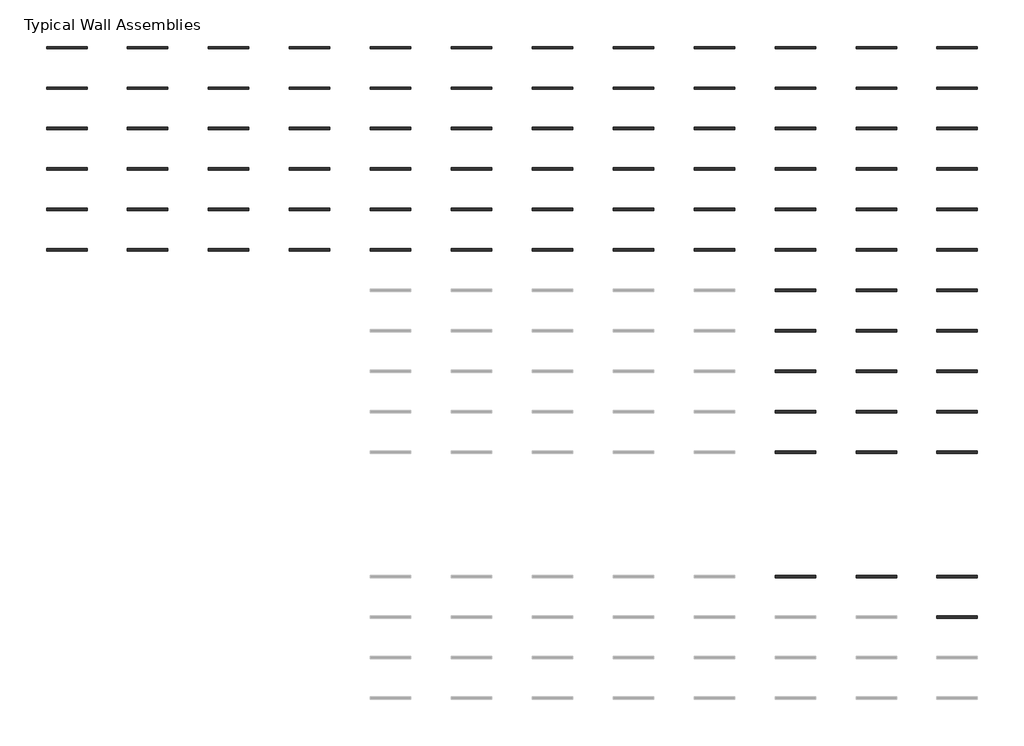
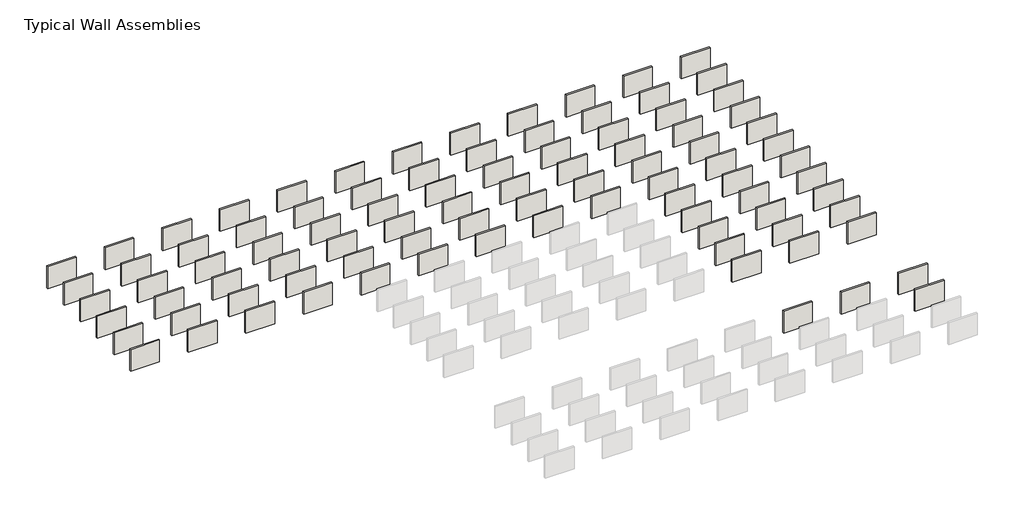
# One storey, part 8 of 8: 91 walls.
"""IFC4 building model written with IfcOpenShell, lengths in millimetres."""

from ifc_helpers import new_model, si_unit, frame, origin, place, context, project, spatial, polyline, outline, extrude, element, save

model = new_model("IFC4")

# Units and contexts
model_context = context("Model", 3, world=origin())
ifc_project = project(units=[si_unit("LENGTHUNIT", "METRE", prefix="MILLI")], contexts=[model_context])

# Site, building, storey
site = spatial("IfcSite", under=ifc_project)
building = spatial("IfcBuilding", under=site)
storey = spatial("IfcBuildingStorey", under=building, Name="Typical Wall Assemblies", Elevation=6096.0)

# Walls
placement = place(None, origin())
element("IfcWall", 1, at=placement, inside=storey, context=model_context, shape_type="SweptSolid", body=[
    extrude(outline(polyline([(-21027.125069, 17123.6908454), (-24075.125069, 17123.6908454), (-24075.125069, 17301.4781495), (-21027.125069, 17301.4781495), (-21027.125069, 17123.6908454)])), frame((0.0, 0.0, 6096.0), z_axis=(0.0, 0.0, 1.0), x_axis=(1.0, 0.0, 0.0)), (0.0, 0.0, 1.0), 2438.4),
])
element("IfcWall", 2, at=placement, inside=storey, context=model_context, shape_type="SweptSolid", body=[
    extrude(outline(polyline([(-14931.125069, 17123.6908454), (-17979.125069, 17123.6908454), (-17979.125069, 17301.4781495), (-14931.125069, 17301.4781495), (-14931.125069, 17123.6908454)])), frame((0.0, 0.0, 6096.0), z_axis=(0.0, 0.0, 1.0), x_axis=(1.0, 0.0, 0.0)), (0.0, 0.0, 1.0), 2438.4),
])
element("IfcWall", 3, at=placement, inside=storey, context=model_context, shape_type="SweptSolid", body=[
    extrude(outline(polyline([(-8835.125069, 17123.6908454), (-11883.125069, 17123.6908454), (-11883.125069, 17301.4781495), (-8835.125069, 17301.4781495), (-8835.125069, 17123.6908454)])), frame((0.0, 0.0, 6096.0), z_axis=(0.0, 0.0, 1.0), x_axis=(1.0, 0.0, 0.0)), (0.0, 0.0, 1.0), 2438.4),
])
element("IfcWall", 4, at=placement, inside=storey, context=model_context, shape_type="SweptSolid", body=[
    extrude(outline(polyline([(-2739.125069, 17123.6908454), (-5787.125069, 17123.6908454), (-5787.125069, 17301.4781495), (-2739.125069, 17301.4781495), (-2739.125069, 17123.6908454)])), frame((0.0, 0.0, 6096.0), z_axis=(0.0, 0.0, 1.0), x_axis=(1.0, 0.0, 0.0)), (0.0, 0.0, 1.0), 2438.4),
])
element("IfcWall", 5, at=placement, inside=storey, context=model_context, shape_type="SweptSolid", body=[
    extrude(outline(polyline([(3356.874931, 17123.6908454), (308.874931, 17123.6908454), (308.874931, 17301.4781495), (3356.874931, 17301.4781495), (3356.874931, 17123.6908454)])), frame((0.0, 0.0, 6096.0), z_axis=(0.0, 0.0, 1.0), x_axis=(1.0, 0.0, 0.0)), (0.0, 0.0, 1.0), 2438.4),
])
element("IfcWall", 6, at=placement, inside=storey, context=model_context, shape_type="SweptSolid", body=[
    extrude(outline(polyline([(9452.874931, 17123.6908454), (6404.874931, 17123.6908454), (6404.874931, 17301.4781495), (9452.874931, 17301.4781495), (9452.874931, 17123.6908454)])), frame((0.0, 0.0, 6096.0), z_axis=(0.0, 0.0, 1.0), x_axis=(1.0, 0.0, 0.0)), (0.0, 0.0, 1.0), 2438.4),
])
element("IfcWall", 7, at=placement, inside=storey, context=model_context, shape_type="SweptSolid", body=[
    extrude(outline(polyline([(15548.874931, 17123.6908454), (12500.874931, 17123.6908454), (12500.874931, 17301.4781495), (15548.874931, 17301.4781495), (15548.874931, 17123.6908454)])), frame((0.0, 0.0, 6096.0), z_axis=(0.0, 0.0, 1.0), x_axis=(1.0, 0.0, 0.0)), (0.0, 0.0, 1.0), 2438.4),
])
element("IfcWall", 8, at=placement, inside=storey, context=model_context, shape_type="SweptSolid", body=[
    extrude(outline(polyline([(21644.874931, 17123.6908454), (18596.874931, 17123.6908454), (18596.874931, 17301.4781495), (21644.874931, 17301.4781495), (21644.874931, 17123.6908454)])), frame((0.0, 0.0, 6096.0), z_axis=(0.0, 0.0, 1.0), x_axis=(1.0, 0.0, 0.0)), (0.0, 0.0, 1.0), 2438.4),
])
element("IfcWall", 9, at=placement, inside=storey, context=model_context, shape_type="SweptSolid", body=[
    extrude(outline(polyline([(27740.874931, 17123.6908454), (24692.874931, 17123.6908454), (24692.874931, 17301.4781495), (27740.874931, 17301.4781495), (27740.874931, 17123.6908454)])), frame((0.0, 0.0, 6096.0), z_axis=(0.0, 0.0, 1.0), x_axis=(1.0, 0.0, 0.0)), (0.0, 0.0, 1.0), 2438.4),
])
element("IfcWall", 10, at=placement, inside=storey, context=model_context, shape_type="SweptSolid", body=[
    extrude(outline(polyline([(33836.874931, 17123.6908454), (30788.874931, 17123.6908454), (30788.874931, 17301.4781495), (33836.874931, 17301.4781495), (33836.874931, 17123.6908454)])), frame((0.0, 0.0, 6096.0), z_axis=(0.0, 0.0, 1.0), x_axis=(1.0, 0.0, 0.0)), (0.0, 0.0, 1.0), 2438.4),
])
element("IfcWall", 11, at=placement, inside=storey, context=model_context, shape_type="SweptSolid", body=[
    extrude(outline(polyline([(39932.874931, 17123.6908454), (36884.874931, 17123.6908454), (36884.874931, 17301.4781495), (39932.874931, 17301.4781495), (39932.874931, 17123.6908454)])), frame((0.0, 0.0, 6096.0), z_axis=(0.0, 0.0, 1.0), x_axis=(1.0, 0.0, 0.0)), (0.0, 0.0, 1.0), 2438.4),
])
element("IfcWall", 12, at=placement, inside=storey, context=model_context, shape_type="SweptSolid", body=[
    extrude(outline(polyline([(46028.874931, 17123.6908454), (42980.874931, 17123.6908454), (42980.874931, 17301.4781495), (46028.874931, 17301.4781495), (46028.874931, 17123.6908454)])), frame((0.0, 0.0, 6096.0), z_axis=(0.0, 0.0, 1.0), x_axis=(1.0, 0.0, 0.0)), (0.0, 0.0, 1.0), 2438.4),
])
element("IfcWall", 13, at=placement, inside=storey, context=model_context, shape_type="SweptSolid", body=[
    extrude(outline(polyline([(-21027.125069, 14075.6908454), (-24075.125069, 14075.6908454), (-24075.125069, 14253.4781495), (-21027.125069, 14253.4781495), (-21027.125069, 14075.6908454)])), frame((0.0, 0.0, 6096.0), z_axis=(0.0, 0.0, 1.0), x_axis=(1.0, 0.0, 0.0)), (0.0, 0.0, 1.0), 2438.4),
])
element("IfcWall", 14, at=placement, inside=storey, context=model_context, shape_type="SweptSolid", body=[
    extrude(outline(polyline([(-21027.125069, 11027.6908454), (-24075.125069, 11027.6908454), (-24075.125069, 11205.4781495), (-21027.125069, 11205.4781495), (-21027.125069, 11027.6908454)])), frame((0.0, 0.0, 6096.0), z_axis=(0.0, 0.0, 1.0), x_axis=(1.0, 0.0, 0.0)), (0.0, 0.0, 1.0), 2438.4),
])
element("IfcWall", 15, at=placement, inside=storey, context=model_context, shape_type="SweptSolid", body=[
    extrude(outline(polyline([(-21027.125069, 7979.6908454), (-24075.125069, 7979.6908454), (-24075.125069, 8157.4781495), (-21027.125069, 8157.4781495), (-21027.125069, 7979.6908454)])), frame((0.0, 0.0, 6096.0), z_axis=(0.0, 0.0, 1.0), x_axis=(1.0, 0.0, 0.0)), (0.0, 0.0, 1.0), 2438.4),
])
element("IfcWall", 16, at=placement, inside=storey, context=model_context, shape_type="SweptSolid", body=[
    extrude(outline(polyline([(-21027.125069, 4931.6908454), (-24075.125069, 4931.6908454), (-24075.125069, 5109.4781495), (-21027.125069, 5109.4781495), (-21027.125069, 4931.6908454)])), frame((0.0, 0.0, 6096.0), z_axis=(0.0, 0.0, 1.0), x_axis=(1.0, 0.0, 0.0)), (0.0, 0.0, 1.0), 2438.4),
])
element("IfcWall", 17, at=placement, inside=storey, context=model_context, shape_type="SweptSolid", body=[
    extrude(outline(polyline([(-14931.125069, 14075.6908454), (-17979.125069, 14075.6908454), (-17979.125069, 14253.4781495), (-14931.125069, 14253.4781495), (-14931.125069, 14075.6908454)])), frame((0.0, 0.0, 6096.0), z_axis=(0.0, 0.0, 1.0), x_axis=(1.0, 0.0, 0.0)), (0.0, 0.0, 1.0), 2438.4),
])
element("IfcWall", 18, at=placement, inside=storey, context=model_context, shape_type="SweptSolid", body=[
    extrude(outline(polyline([(-8835.125069, 14075.6908454), (-11883.125069, 14075.6908454), (-11883.125069, 14253.4781495), (-8835.125069, 14253.4781495), (-8835.125069, 14075.6908454)])), frame((0.0, 0.0, 6096.0), z_axis=(0.0, 0.0, 1.0), x_axis=(1.0, 0.0, 0.0)), (0.0, 0.0, 1.0), 2438.4),
])
element("IfcWall", 19, at=placement, inside=storey, context=model_context, shape_type="SweptSolid", body=[
    extrude(outline(polyline([(-2739.125069, 14075.6908454), (-5787.125069, 14075.6908454), (-5787.125069, 14253.4781495), (-2739.125069, 14253.4781495), (-2739.125069, 14075.6908454)])), frame((0.0, 0.0, 6096.0), z_axis=(0.0, 0.0, 1.0), x_axis=(1.0, 0.0, 0.0)), (0.0, 0.0, 1.0), 2438.4),
])
element("IfcWall", 20, at=placement, inside=storey, context=model_context, shape_type="SweptSolid", body=[
    extrude(outline(polyline([(3356.874931, 14075.6908454), (308.874931, 14075.6908454), (308.874931, 14253.4781495), (3356.874931, 14253.4781495), (3356.874931, 14075.6908454)])), frame((0.0, 0.0, 6096.0), z_axis=(0.0, 0.0, 1.0), x_axis=(1.0, 0.0, 0.0)), (0.0, 0.0, 1.0), 2438.4),
])
element("IfcWall", 21, at=placement, inside=storey, context=model_context, shape_type="SweptSolid", body=[
    extrude(outline(polyline([(9452.874931, 14075.6908454), (6404.874931, 14075.6908454), (6404.874931, 14253.4781495), (9452.874931, 14253.4781495), (9452.874931, 14075.6908454)])), frame((0.0, 0.0, 6096.0), z_axis=(0.0, 0.0, 1.0), x_axis=(1.0, 0.0, 0.0)), (0.0, 0.0, 1.0), 2438.4),
])
element("IfcWall", 22, at=placement, inside=storey, context=model_context, shape_type="SweptSolid", body=[
    extrude(outline(polyline([(15548.874931, 14075.6908454), (12500.874931, 14075.6908454), (12500.874931, 14253.4781495), (15548.874931, 14253.4781495), (15548.874931, 14075.6908454)])), frame((0.0, 0.0, 6096.0), z_axis=(0.0, 0.0, 1.0), x_axis=(1.0, 0.0, 0.0)), (0.0, 0.0, 1.0), 2438.4),
])
element("IfcWall", 23, at=placement, inside=storey, context=model_context, shape_type="SweptSolid", body=[
    extrude(outline(polyline([(21644.874931, 14075.6908454), (18596.874931, 14075.6908454), (18596.874931, 14253.4781495), (21644.874931, 14253.4781495), (21644.874931, 14075.6908454)])), frame((0.0, 0.0, 6096.0), z_axis=(0.0, 0.0, 1.0), x_axis=(1.0, 0.0, 0.0)), (0.0, 0.0, 1.0), 2438.4),
])
element("IfcWall", 24, at=placement, inside=storey, context=model_context, shape_type="SweptSolid", body=[
    extrude(outline(polyline([(27740.874931, 14075.6908454), (24692.874931, 14075.6908454), (24692.874931, 14253.4781495), (27740.874931, 14253.4781495), (27740.874931, 14075.6908454)])), frame((0.0, 0.0, 6096.0), z_axis=(0.0, 0.0, 1.0), x_axis=(1.0, 0.0, 0.0)), (0.0, 0.0, 1.0), 2438.4),
])
element("IfcWall", 25, at=placement, inside=storey, context=model_context, shape_type="SweptSolid", body=[
    extrude(outline(polyline([(33836.874931, 14075.6908454), (30788.874931, 14075.6908454), (30788.874931, 14253.4781495), (33836.874931, 14253.4781495), (33836.874931, 14075.6908454)])), frame((0.0, 0.0, 6096.0), z_axis=(0.0, 0.0, 1.0), x_axis=(1.0, 0.0, 0.0)), (0.0, 0.0, 1.0), 2438.4),
])
element("IfcWall", 26, at=placement, inside=storey, context=model_context, shape_type="SweptSolid", body=[
    extrude(outline(polyline([(39932.874931, 14075.6908454), (36884.874931, 14075.6908454), (36884.874931, 14253.4781495), (39932.874931, 14253.4781495), (39932.874931, 14075.6908454)])), frame((0.0, 0.0, 6096.0), z_axis=(0.0, 0.0, 1.0), x_axis=(1.0, 0.0, 0.0)), (0.0, 0.0, 1.0), 2438.4),
])
element("IfcWall", 27, at=placement, inside=storey, context=model_context, shape_type="SweptSolid", body=[
    extrude(outline(polyline([(46028.874931, 14075.6908454), (42980.874931, 14075.6908454), (42980.874931, 14253.4781495), (46028.874931, 14253.4781495), (46028.874931, 14075.6908454)])), frame((0.0, 0.0, 6096.0), z_axis=(0.0, 0.0, 1.0), x_axis=(1.0, 0.0, 0.0)), (0.0, 0.0, 1.0), 2438.4),
])
element("IfcWall", 28, at=placement, inside=storey, context=model_context, shape_type="SweptSolid", body=[
    extrude(outline(polyline([(-14931.125069, 11027.6908454), (-17979.125069, 11027.6908454), (-17979.125069, 11205.4781495), (-14931.125069, 11205.4781495), (-14931.125069, 11027.6908454)])), frame((0.0, 0.0, 6096.0), z_axis=(0.0, 0.0, 1.0), x_axis=(1.0, 0.0, 0.0)), (0.0, 0.0, 1.0), 2438.4),
])
element("IfcWall", 29, at=placement, inside=storey, context=model_context, shape_type="SweptSolid", body=[
    extrude(outline(polyline([(-8835.125069, 11027.6908454), (-11883.125069, 11027.6908454), (-11883.125069, 11205.4781495), (-8835.125069, 11205.4781495), (-8835.125069, 11027.6908454)])), frame((0.0, 0.0, 6096.0), z_axis=(0.0, 0.0, 1.0), x_axis=(1.0, 0.0, 0.0)), (0.0, 0.0, 1.0), 2438.4),
])
element("IfcWall", 30, at=placement, inside=storey, context=model_context, shape_type="SweptSolid", body=[
    extrude(outline(polyline([(-2739.125069, 11027.6908454), (-5787.125069, 11027.6908454), (-5787.125069, 11205.4781495), (-2739.125069, 11205.4781495), (-2739.125069, 11027.6908454)])), frame((0.0, 0.0, 6096.0), z_axis=(0.0, 0.0, 1.0), x_axis=(1.0, 0.0, 0.0)), (0.0, 0.0, 1.0), 2438.4),
])
element("IfcWall", 31, at=placement, inside=storey, context=model_context, shape_type="SweptSolid", body=[
    extrude(outline(polyline([(3356.874931, 11027.6908454), (308.874931, 11027.6908454), (308.874931, 11205.4781495), (3356.874931, 11205.4781495), (3356.874931, 11027.6908454)])), frame((0.0, 0.0, 6096.0), z_axis=(0.0, 0.0, 1.0), x_axis=(1.0, 0.0, 0.0)), (0.0, 0.0, 1.0), 2438.4),
])
element("IfcWall", 32, at=placement, inside=storey, context=model_context, shape_type="SweptSolid", body=[
    extrude(outline(polyline([(9452.874931, 11027.6908454), (6404.874931, 11027.6908454), (6404.874931, 11205.4781495), (9452.874931, 11205.4781495), (9452.874931, 11027.6908454)])), frame((0.0, 0.0, 6096.0), z_axis=(0.0, 0.0, 1.0), x_axis=(1.0, 0.0, 0.0)), (0.0, 0.0, 1.0), 2438.4),
])
element("IfcWall", 33, at=placement, inside=storey, context=model_context, shape_type="SweptSolid", body=[
    extrude(outline(polyline([(15548.874931, 11027.6908454), (12500.874931, 11027.6908454), (12500.874931, 11205.4781495), (15548.874931, 11205.4781495), (15548.874931, 11027.6908454)])), frame((0.0, 0.0, 6096.0), z_axis=(0.0, 0.0, 1.0), x_axis=(1.0, 0.0, 0.0)), (0.0, 0.0, 1.0), 2438.4),
])
element("IfcWall", 34, at=placement, inside=storey, context=model_context, shape_type="SweptSolid", body=[
    extrude(outline(polyline([(21644.874931, 11027.6908454), (18596.874931, 11027.6908454), (18596.874931, 11205.4781495), (21644.874931, 11205.4781495), (21644.874931, 11027.6908454)])), frame((0.0, 0.0, 6096.0), z_axis=(0.0, 0.0, 1.0), x_axis=(1.0, 0.0, 0.0)), (0.0, 0.0, 1.0), 2438.4),
])
element("IfcWall", 35, at=placement, inside=storey, context=model_context, shape_type="SweptSolid", body=[
    extrude(outline(polyline([(27740.874931, 11027.6908454), (24692.874931, 11027.6908454), (24692.874931, 11205.4781495), (27740.874931, 11205.4781495), (27740.874931, 11027.6908454)])), frame((0.0, 0.0, 6096.0), z_axis=(0.0, 0.0, 1.0), x_axis=(1.0, 0.0, 0.0)), (0.0, 0.0, 1.0), 2438.4),
])
element("IfcWall", 36, at=placement, inside=storey, context=model_context, shape_type="SweptSolid", body=[
    extrude(outline(polyline([(33836.874931, 11027.6908454), (30788.874931, 11027.6908454), (30788.874931, 11205.4781495), (33836.874931, 11205.4781495), (33836.874931, 11027.6908454)])), frame((0.0, 0.0, 6096.0), z_axis=(0.0, 0.0, 1.0), x_axis=(1.0, 0.0, 0.0)), (0.0, 0.0, 1.0), 2438.4),
])
element("IfcWall", 37, at=placement, inside=storey, context=model_context, shape_type="SweptSolid", body=[
    extrude(outline(polyline([(39932.874931, 11027.6908454), (36884.874931, 11027.6908454), (36884.874931, 11205.4781495), (39932.874931, 11205.4781495), (39932.874931, 11027.6908454)])), frame((0.0, 0.0, 6096.0), z_axis=(0.0, 0.0, 1.0), x_axis=(1.0, 0.0, 0.0)), (0.0, 0.0, 1.0), 2438.4),
])
element("IfcWall", 38, at=placement, inside=storey, context=model_context, shape_type="SweptSolid", body=[
    extrude(outline(polyline([(46028.874931, 11027.6908454), (42980.874931, 11027.6908454), (42980.874931, 11205.4781495), (46028.874931, 11205.4781495), (46028.874931, 11027.6908454)])), frame((0.0, 0.0, 6096.0), z_axis=(0.0, 0.0, 1.0), x_axis=(1.0, 0.0, 0.0)), (0.0, 0.0, 1.0), 2438.4),
])
element("IfcWall", 39, at=placement, inside=storey, context=model_context, shape_type="SweptSolid", body=[
    extrude(outline(polyline([(-14931.125069, 7979.6908454), (-17979.125069, 7979.6908454), (-17979.125069, 8157.4781495), (-14931.125069, 8157.4781495), (-14931.125069, 7979.6908454)])), frame((0.0, 0.0, 6096.0), z_axis=(0.0, 0.0, 1.0), x_axis=(1.0, 0.0, 0.0)), (0.0, 0.0, 1.0), 2438.4),
])
element("IfcWall", 40, at=placement, inside=storey, context=model_context, shape_type="SweptSolid", body=[
    extrude(outline(polyline([(-8835.125069, 7979.6908454), (-11883.125069, 7979.6908454), (-11883.125069, 8157.4781495), (-8835.125069, 8157.4781495), (-8835.125069, 7979.6908454)])), frame((0.0, 0.0, 6096.0), z_axis=(0.0, 0.0, 1.0), x_axis=(1.0, 0.0, 0.0)), (0.0, 0.0, 1.0), 2438.4),
])
element("IfcWall", 41, at=placement, inside=storey, context=model_context, shape_type="SweptSolid", body=[
    extrude(outline(polyline([(-2739.125069, 7979.6908454), (-5787.125069, 7979.6908454), (-5787.125069, 8157.4781495), (-2739.125069, 8157.4781495), (-2739.125069, 7979.6908454)])), frame((0.0, 0.0, 6096.0), z_axis=(0.0, 0.0, 1.0), x_axis=(1.0, 0.0, 0.0)), (0.0, 0.0, 1.0), 2438.4),
])
element("IfcWall", 42, at=placement, inside=storey, context=model_context, shape_type="SweptSolid", body=[
    extrude(outline(polyline([(3356.874931, 7979.6908454), (308.874931, 7979.6908454), (308.874931, 8157.4781495), (3356.874931, 8157.4781495), (3356.874931, 7979.6908454)])), frame((0.0, 0.0, 6096.0), z_axis=(0.0, 0.0, 1.0), x_axis=(1.0, 0.0, 0.0)), (0.0, 0.0, 1.0), 2438.4),
])
element("IfcWall", 43, at=placement, inside=storey, context=model_context, shape_type="SweptSolid", body=[
    extrude(outline(polyline([(9452.874931, 7979.6908454), (6404.874931, 7979.6908454), (6404.874931, 8157.4781495), (9452.874931, 8157.4781495), (9452.874931, 7979.6908454)])), frame((0.0, 0.0, 6096.0), z_axis=(0.0, 0.0, 1.0), x_axis=(1.0, 0.0, 0.0)), (0.0, 0.0, 1.0), 2438.4),
])
element("IfcWall", 44, at=placement, inside=storey, context=model_context, shape_type="SweptSolid", body=[
    extrude(outline(polyline([(15548.874931, 7979.6908454), (12500.874931, 7979.6908454), (12500.874931, 8157.4781495), (15548.874931, 8157.4781495), (15548.874931, 7979.6908454)])), frame((0.0, 0.0, 6096.0), z_axis=(0.0, 0.0, 1.0), x_axis=(1.0, 0.0, 0.0)), (0.0, 0.0, 1.0), 2438.4),
])
element("IfcWall", 45, at=placement, inside=storey, context=model_context, shape_type="SweptSolid", body=[
    extrude(outline(polyline([(21644.874931, 7979.6908454), (18596.874931, 7979.6908454), (18596.874931, 8157.4781495), (21644.874931, 8157.4781495), (21644.874931, 7979.6908454)])), frame((0.0, 0.0, 6096.0), z_axis=(0.0, 0.0, 1.0), x_axis=(1.0, 0.0, 0.0)), (0.0, 0.0, 1.0), 2438.4),
])
element("IfcWall", 46, at=placement, inside=storey, context=model_context, shape_type="SweptSolid", body=[
    extrude(outline(polyline([(27740.874931, 7979.6908454), (24692.874931, 7979.6908454), (24692.874931, 8157.4781495), (27740.874931, 8157.4781495), (27740.874931, 7979.6908454)])), frame((0.0, 0.0, 6096.0), z_axis=(0.0, 0.0, 1.0), x_axis=(1.0, 0.0, 0.0)), (0.0, 0.0, 1.0), 2438.4),
])
element("IfcWall", 47, at=placement, inside=storey, context=model_context, shape_type="SweptSolid", body=[
    extrude(outline(polyline([(33836.874931, 7979.6908454), (30788.874931, 7979.6908454), (30788.874931, 8157.4781495), (33836.874931, 8157.4781495), (33836.874931, 7979.6908454)])), frame((0.0, 0.0, 6096.0), z_axis=(0.0, 0.0, 1.0), x_axis=(1.0, 0.0, 0.0)), (0.0, 0.0, 1.0), 2438.4),
])
element("IfcWall", 48, at=placement, inside=storey, context=model_context, shape_type="SweptSolid", body=[
    extrude(outline(polyline([(39932.874931, 7979.6908454), (36884.874931, 7979.6908454), (36884.874931, 8157.4781495), (39932.874931, 8157.4781495), (39932.874931, 7979.6908454)])), frame((0.0, 0.0, 6096.0), z_axis=(0.0, 0.0, 1.0), x_axis=(1.0, 0.0, 0.0)), (0.0, 0.0, 1.0), 2438.4),
])
element("IfcWall", 49, at=placement, inside=storey, context=model_context, shape_type="SweptSolid", body=[
    extrude(outline(polyline([(46028.874931, 7979.6908454), (42980.874931, 7979.6908454), (42980.874931, 8157.4781495), (46028.874931, 8157.4781495), (46028.874931, 7979.6908454)])), frame((0.0, 0.0, 6096.0), z_axis=(0.0, 0.0, 1.0), x_axis=(1.0, 0.0, 0.0)), (0.0, 0.0, 1.0), 2438.4),
])
element("IfcWall", 50, at=placement, inside=storey, context=model_context, shape_type="SweptSolid", body=[
    extrude(outline(polyline([(-14931.125069, 4931.6908454), (-17979.125069, 4931.6908454), (-17979.125069, 5109.4781495), (-14931.125069, 5109.4781495), (-14931.125069, 4931.6908454)])), frame((0.0, 0.0, 6096.0), z_axis=(0.0, 0.0, 1.0), x_axis=(1.0, 0.0, 0.0)), (0.0, 0.0, 1.0), 2438.4),
])
element("IfcWall", 51, at=placement, inside=storey, context=model_context, shape_type="SweptSolid", body=[
    extrude(outline(polyline([(-8835.125069, 4931.6908454), (-11883.125069, 4931.6908454), (-11883.125069, 5109.4781495), (-8835.125069, 5109.4781495), (-8835.125069, 4931.6908454)])), frame((0.0, 0.0, 6096.0), z_axis=(0.0, 0.0, 1.0), x_axis=(1.0, 0.0, 0.0)), (0.0, 0.0, 1.0), 2438.4),
])
element("IfcWall", 52, at=placement, inside=storey, context=model_context, shape_type="SweptSolid", body=[
    extrude(outline(polyline([(-2739.125069, 4931.6908454), (-5787.125069, 4931.6908454), (-5787.125069, 5109.4781495), (-2739.125069, 5109.4781495), (-2739.125069, 4931.6908454)])), frame((0.0, 0.0, 6096.0), z_axis=(0.0, 0.0, 1.0), x_axis=(1.0, 0.0, 0.0)), (0.0, 0.0, 1.0), 2438.4),
])
element("IfcWall", 53, at=placement, inside=storey, context=model_context, shape_type="SweptSolid", body=[
    extrude(outline(polyline([(3356.874931, 4931.6908454), (308.874931, 4931.6908454), (308.874931, 5109.4781495), (3356.874931, 5109.4781495), (3356.874931, 4931.6908454)])), frame((0.0, 0.0, 6096.0), z_axis=(0.0, 0.0, 1.0), x_axis=(1.0, 0.0, 0.0)), (0.0, 0.0, 1.0), 2438.4),
])
element("IfcWall", 54, at=placement, inside=storey, context=model_context, shape_type="SweptSolid", body=[
    extrude(outline(polyline([(9452.874931, 4931.6908454), (6404.874931, 4931.6908454), (6404.874931, 5109.4781495), (9452.874931, 5109.4781495), (9452.874931, 4931.6908454)])), frame((0.0, 0.0, 6096.0), z_axis=(0.0, 0.0, 1.0), x_axis=(1.0, 0.0, 0.0)), (0.0, 0.0, 1.0), 2438.4),
])
element("IfcWall", 55, at=placement, inside=storey, context=model_context, shape_type="SweptSolid", body=[
    extrude(outline(polyline([(15548.874931, 4931.6908454), (12500.874931, 4931.6908454), (12500.874931, 5109.4781495), (15548.874931, 5109.4781495), (15548.874931, 4931.6908454)])), frame((0.0, 0.0, 6096.0), z_axis=(0.0, 0.0, 1.0), x_axis=(1.0, 0.0, 0.0)), (0.0, 0.0, 1.0), 2438.4),
])
element("IfcWall", 56, at=placement, inside=storey, context=model_context, shape_type="SweptSolid", body=[
    extrude(outline(polyline([(21644.874931, 4931.6908454), (18596.874931, 4931.6908454), (18596.874931, 5109.4781495), (21644.874931, 5109.4781495), (21644.874931, 4931.6908454)])), frame((0.0, 0.0, 6096.0), z_axis=(0.0, 0.0, 1.0), x_axis=(1.0, 0.0, 0.0)), (0.0, 0.0, 1.0), 2438.4),
])
element("IfcWall", 57, at=placement, inside=storey, context=model_context, shape_type="SweptSolid", body=[
    extrude(outline(polyline([(27740.874931, 4931.6908454), (24692.874931, 4931.6908454), (24692.874931, 5109.4781495), (27740.874931, 5109.4781495), (27740.874931, 4931.6908454)])), frame((0.0, 0.0, 6096.0), z_axis=(0.0, 0.0, 1.0), x_axis=(1.0, 0.0, 0.0)), (0.0, 0.0, 1.0), 2438.4),
])
element("IfcWall", 58, at=placement, inside=storey, context=model_context, shape_type="SweptSolid", body=[
    extrude(outline(polyline([(33836.874931, 4931.6908454), (30788.874931, 4931.6908454), (30788.874931, 5109.4781495), (33836.874931, 5109.4781495), (33836.874931, 4931.6908454)])), frame((0.0, 0.0, 6096.0), z_axis=(0.0, 0.0, 1.0), x_axis=(1.0, 0.0, 0.0)), (0.0, 0.0, 1.0), 2438.4),
])
element("IfcWall", 59, at=placement, inside=storey, context=model_context, shape_type="SweptSolid", body=[
    extrude(outline(polyline([(39932.874931, 4931.6908454), (36884.874931, 4931.6908454), (36884.874931, 5109.4781495), (39932.874931, 5109.4781495), (39932.874931, 4931.6908454)])), frame((0.0, 0.0, 6096.0), z_axis=(0.0, 0.0, 1.0), x_axis=(1.0, 0.0, 0.0)), (0.0, 0.0, 1.0), 2438.4),
])
element("IfcWall", 60, at=placement, inside=storey, context=model_context, shape_type="SweptSolid", body=[
    extrude(outline(polyline([(46028.874931, 4931.6908454), (42980.874931, 4931.6908454), (42980.874931, 5109.4781495), (46028.874931, 5109.4781495), (46028.874931, 4931.6908454)])), frame((0.0, 0.0, 6096.0), z_axis=(0.0, 0.0, 1.0), x_axis=(1.0, 0.0, 0.0)), (0.0, 0.0, 1.0), 2438.4),
])
element("IfcWall", 61, at=placement, inside=storey, context=model_context, shape_type="SweptSolid", body=[
    extrude(outline(polyline([(-21027.125069, 1883.6908454), (-24075.125069, 1883.6908454), (-24075.125069, 2061.4781495), (-21027.125069, 2061.4781495), (-21027.125069, 1883.6908454)])), frame((0.0, 0.0, 6096.0), z_axis=(0.0, 0.0, 1.0), x_axis=(1.0, 0.0, 0.0)), (0.0, 0.0, 1.0), 2438.4),
])
element("IfcWall", 62, at=placement, inside=storey, context=model_context, shape_type="SweptSolid", body=[
    extrude(outline(polyline([(-14931.125069, 1883.6908454), (-17979.125069, 1883.6908454), (-17979.125069, 2061.4781495), (-14931.125069, 2061.4781495), (-14931.125069, 1883.6908454)])), frame((0.0, 0.0, 6096.0), z_axis=(0.0, 0.0, 1.0), x_axis=(1.0, 0.0, 0.0)), (0.0, 0.0, 1.0), 2438.4),
])
element("IfcWall", 63, at=placement, inside=storey, context=model_context, shape_type="SweptSolid", body=[
    extrude(outline(polyline([(-8835.125069, 1883.6908454), (-11883.125069, 1883.6908454), (-11883.125069, 2061.4781495), (-8835.125069, 2061.4781495), (-8835.125069, 1883.6908454)])), frame((0.0, 0.0, 6096.0), z_axis=(0.0, 0.0, 1.0), x_axis=(1.0, 0.0, 0.0)), (0.0, 0.0, 1.0), 2438.4),
])
element("IfcWall", 64, at=placement, inside=storey, context=model_context, shape_type="SweptSolid", body=[
    extrude(outline(polyline([(-2739.125069, 1883.6908454), (-5787.125069, 1883.6908454), (-5787.125069, 2061.4781495), (-2739.125069, 2061.4781495), (-2739.125069, 1883.6908454)])), frame((0.0, 0.0, 6096.0), z_axis=(0.0, 0.0, 1.0), x_axis=(1.0, 0.0, 0.0)), (0.0, 0.0, 1.0), 2438.4),
])
element("IfcWall", 65, at=placement, inside=storey, context=model_context, shape_type="SweptSolid", body=[
    extrude(outline(polyline([(3356.874931, 1883.6908454), (308.874931, 1883.6908454), (308.874931, 2061.4781495), (3356.874931, 2061.4781495), (3356.874931, 1883.6908454)])), frame((0.0, 0.0, 6096.0), z_axis=(0.0, 0.0, 1.0), x_axis=(1.0, 0.0, 0.0)), (0.0, 0.0, 1.0), 2438.4),
])
element("IfcWall", 66, at=placement, inside=storey, context=model_context, shape_type="SweptSolid", body=[
    extrude(outline(polyline([(9452.874931, 1883.6908454), (6404.874931, 1883.6908454), (6404.874931, 2061.4781495), (9452.874931, 2061.4781495), (9452.874931, 1883.6908454)])), frame((0.0, 0.0, 6096.0), z_axis=(0.0, 0.0, 1.0), x_axis=(1.0, 0.0, 0.0)), (0.0, 0.0, 1.0), 2438.4),
])
element("IfcWall", 67, at=placement, inside=storey, context=model_context, shape_type="SweptSolid", body=[
    extrude(outline(polyline([(15548.874931, 1883.6908454), (12500.874931, 1883.6908454), (12500.874931, 2061.4781495), (15548.874931, 2061.4781495), (15548.874931, 1883.6908454)])), frame((0.0, 0.0, 6096.0), z_axis=(0.0, 0.0, 1.0), x_axis=(1.0, 0.0, 0.0)), (0.0, 0.0, 1.0), 2438.4),
])
element("IfcWall", 68, at=placement, inside=storey, context=model_context, shape_type="SweptSolid", body=[
    extrude(outline(polyline([(21644.874931, 1883.6908454), (18596.874931, 1883.6908454), (18596.874931, 2061.4781495), (21644.874931, 2061.4781495), (21644.874931, 1883.6908454)])), frame((0.0, 0.0, 6096.0), z_axis=(0.0, 0.0, 1.0), x_axis=(1.0, 0.0, 0.0)), (0.0, 0.0, 1.0), 2438.4),
])
element("IfcWall", 69, at=placement, inside=storey, context=model_context, shape_type="SweptSolid", body=[
    extrude(outline(polyline([(27740.874931, 1883.6908454), (24692.874931, 1883.6908454), (24692.874931, 2061.4781495), (27740.874931, 2061.4781495), (27740.874931, 1883.6908454)])), frame((0.0, 0.0, 6096.0), z_axis=(0.0, 0.0, 1.0), x_axis=(1.0, 0.0, 0.0)), (0.0, 0.0, 1.0), 2438.4),
])
element("IfcWall", 70, at=placement, inside=storey, context=model_context, shape_type="SweptSolid", body=[
    extrude(outline(polyline([(33836.874931, 1883.6908454), (30788.874931, 1883.6908454), (30788.874931, 2061.4781495), (33836.874931, 2061.4781495), (33836.874931, 1883.6908454)])), frame((0.0, 0.0, 6096.0), z_axis=(0.0, 0.0, 1.0), x_axis=(1.0, 0.0, 0.0)), (0.0, 0.0, 1.0), 2438.4),
])
element("IfcWall", 71, at=placement, inside=storey, context=model_context, shape_type="SweptSolid", body=[
    extrude(outline(polyline([(39932.874931, 1883.6908454), (36884.874931, 1883.6908454), (36884.874931, 2061.4781495), (39932.874931, 2061.4781495), (39932.874931, 1883.6908454)])), frame((0.0, 0.0, 6096.0), z_axis=(0.0, 0.0, 1.0), x_axis=(1.0, 0.0, 0.0)), (0.0, 0.0, 1.0), 2438.4),
])
element("IfcWall", 72, at=placement, inside=storey, context=model_context, shape_type="SweptSolid", body=[
    extrude(outline(polyline([(46028.874931, 1883.6908454), (42980.874931, 1883.6908454), (42980.874931, 2061.4781495), (46028.874931, 2061.4781495), (46028.874931, 1883.6908454)])), frame((0.0, 0.0, 6096.0), z_axis=(0.0, 0.0, 1.0), x_axis=(1.0, 0.0, 0.0)), (0.0, 0.0, 1.0), 2438.4),
])
element("IfcWall", 73, at=placement, inside=storey, context=model_context, shape_type="SweptSolid", body=[
    extrude(outline(polyline([(33836.874931, -1164.3091546), (30788.874931, -1164.3091546), (30788.874931, -986.5218505), (33836.874931, -986.5218505), (33836.874931, -1164.3091546)])), frame((0.0, 0.0, 6096.0), z_axis=(0.0, 0.0, 1.0), x_axis=(1.0, 0.0, 0.0)), (0.0, 0.0, 1.0), 2438.4),
])
element("IfcWall", 74, at=placement, inside=storey, context=model_context, shape_type="SweptSolid", body=[
    extrude(outline(polyline([(39932.874931, -1164.3091546), (36884.874931, -1164.3091546), (36884.874931, -986.5218505), (39932.874931, -986.5218505), (39932.874931, -1164.3091546)])), frame((0.0, 0.0, 6096.0), z_axis=(0.0, 0.0, 1.0), x_axis=(1.0, 0.0, 0.0)), (0.0, 0.0, 1.0), 2438.4),
])
element("IfcWall", 75, at=placement, inside=storey, context=model_context, shape_type="SweptSolid", body=[
    extrude(outline(polyline([(46028.874931, -1164.3091546), (42980.874931, -1164.3091546), (42980.874931, -986.5218505), (46028.874931, -986.5218505), (46028.874931, -1164.3091546)])), frame((0.0, 0.0, 6096.0), z_axis=(0.0, 0.0, 1.0), x_axis=(1.0, 0.0, 0.0)), (0.0, 0.0, 1.0), 2438.4),
])
element("IfcWall", 76, at=placement, inside=storey, context=model_context, shape_type="SweptSolid", body=[
    extrude(outline(polyline([(33836.874931, -4212.3091546), (30788.874931, -4212.3091546), (30788.874931, -4034.5218505), (33836.874931, -4034.5218505), (33836.874931, -4212.3091546)])), frame((0.0, 0.0, 6096.0), z_axis=(0.0, 0.0, 1.0), x_axis=(1.0, 0.0, 0.0)), (0.0, 0.0, 1.0), 2438.4),
])
element("IfcWall", 77, at=placement, inside=storey, context=model_context, shape_type="SweptSolid", body=[
    extrude(outline(polyline([(39932.874931, -4212.3091546), (36884.874931, -4212.3091546), (36884.874931, -4034.5218505), (39932.874931, -4034.5218505), (39932.874931, -4212.3091546)])), frame((0.0, 0.0, 6096.0), z_axis=(0.0, 0.0, 1.0), x_axis=(1.0, 0.0, 0.0)), (0.0, 0.0, 1.0), 2438.4),
])
element("IfcWall", 78, at=placement, inside=storey, context=model_context, shape_type="SweptSolid", body=[
    extrude(outline(polyline([(46028.874931, -4212.3091546), (42980.874931, -4212.3091546), (42980.874931, -4034.5218505), (46028.874931, -4034.5218505), (46028.874931, -4212.3091546)])), frame((0.0, 0.0, 6096.0), z_axis=(0.0, 0.0, 1.0), x_axis=(1.0, 0.0, 0.0)), (0.0, 0.0, 1.0), 2438.4),
])
element("IfcWall", 79, at=placement, inside=storey, context=model_context, shape_type="SweptSolid", body=[
    extrude(outline(polyline([(33836.874931, -7260.3091546), (30788.874931, -7260.3091546), (30788.874931, -7082.5218505), (33836.874931, -7082.5218505), (33836.874931, -7260.3091546)])), frame((0.0, 0.0, 6096.0), z_axis=(0.0, 0.0, 1.0), x_axis=(1.0, 0.0, 0.0)), (0.0, 0.0, 1.0), 2438.4),
])
element("IfcWall", 80, at=placement, inside=storey, context=model_context, shape_type="SweptSolid", body=[
    extrude(outline(polyline([(39932.874931, -7260.3091546), (36884.874931, -7260.3091546), (36884.874931, -7082.5218505), (39932.874931, -7082.5218505), (39932.874931, -7260.3091546)])), frame((0.0, 0.0, 6096.0), z_axis=(0.0, 0.0, 1.0), x_axis=(1.0, 0.0, 0.0)), (0.0, 0.0, 1.0), 2438.4),
])
element("IfcWall", 81, at=placement, inside=storey, context=model_context, shape_type="SweptSolid", body=[
    extrude(outline(polyline([(46028.874931, -7260.3091546), (42980.874931, -7260.3091546), (42980.874931, -7082.5218505), (46028.874931, -7082.5218505), (46028.874931, -7260.3091546)])), frame((0.0, 0.0, 6096.0), z_axis=(0.0, 0.0, 1.0), x_axis=(1.0, 0.0, 0.0)), (0.0, 0.0, 1.0), 2438.4),
])
element("IfcWall", 82, at=placement, inside=storey, context=model_context, shape_type="SweptSolid", body=[
    extrude(outline(polyline([(33836.874931, -10308.3091546), (30788.874931, -10308.3091546), (30788.874931, -10130.5218505), (33836.874931, -10130.5218505), (33836.874931, -10308.3091546)])), frame((0.0, 0.0, 6096.0), z_axis=(0.0, 0.0, 1.0), x_axis=(1.0, 0.0, 0.0)), (0.0, 0.0, 1.0), 2438.4),
])
element("IfcWall", 83, at=placement, inside=storey, context=model_context, shape_type="SweptSolid", body=[
    extrude(outline(polyline([(39932.874931, -10308.3091546), (36884.874931, -10308.3091546), (36884.874931, -10130.5218505), (39932.874931, -10130.5218505), (39932.874931, -10308.3091546)])), frame((0.0, 0.0, 6096.0), z_axis=(0.0, 0.0, 1.0), x_axis=(1.0, 0.0, 0.0)), (0.0, 0.0, 1.0), 2438.4),
])
element("IfcWall", 84, at=placement, inside=storey, context=model_context, shape_type="SweptSolid", body=[
    extrude(outline(polyline([(46028.874931, -10308.3091546), (42980.874931, -10308.3091546), (42980.874931, -10130.5218505), (46028.874931, -10130.5218505), (46028.874931, -10308.3091546)])), frame((0.0, 0.0, 6096.0), z_axis=(0.0, 0.0, 1.0), x_axis=(1.0, 0.0, 0.0)), (0.0, 0.0, 1.0), 2438.4),
])
element("IfcWall", 85, at=placement, inside=storey, context=model_context, shape_type="SweptSolid", body=[
    extrude(outline(polyline([(33836.874931, -13356.3091546), (30788.874931, -13356.3091546), (30788.874931, -13178.5218505), (33836.874931, -13178.5218505), (33836.874931, -13356.3091546)])), frame((0.0, 0.0, 6096.0), z_axis=(0.0, 0.0, 1.0), x_axis=(1.0, 0.0, 0.0)), (0.0, 0.0, 1.0), 2438.4),
])
element("IfcWall", 86, at=placement, inside=storey, context=model_context, shape_type="SweptSolid", body=[
    extrude(outline(polyline([(39932.874931, -13356.3091546), (36884.874931, -13356.3091546), (36884.874931, -13178.5218505), (39932.874931, -13178.5218505), (39932.874931, -13356.3091546)])), frame((0.0, 0.0, 6096.0), z_axis=(0.0, 0.0, 1.0), x_axis=(1.0, 0.0, 0.0)), (0.0, 0.0, 1.0), 2438.4),
])
element("IfcWall", 87, at=placement, inside=storey, context=model_context, shape_type="SweptSolid", body=[
    extrude(outline(polyline([(46028.874931, -13356.3091546), (42980.874931, -13356.3091546), (42980.874931, -13178.5218505), (46028.874931, -13178.5218505), (46028.874931, -13356.3091546)])), frame((0.0, 0.0, 6096.0), z_axis=(0.0, 0.0, 1.0), x_axis=(1.0, 0.0, 0.0)), (0.0, 0.0, 1.0), 2438.4),
])
element("IfcWall", 88, at=placement, inside=storey, context=model_context, shape_type="SweptSolid", body=[
    extrude(outline(polyline([(33836.874931, -22743.446361), (30788.874931, -22743.446361), (30788.874931, -22565.6590569), (33836.874931, -22565.6590569), (33836.874931, -22743.446361)])), frame((0.0, 0.0, 6096.0), z_axis=(0.0, 0.0, 1.0), x_axis=(1.0, 0.0, 0.0)), (0.0, 0.0, 1.0), 2438.4),
])
element("IfcWall", 89, at=placement, inside=storey, context=model_context, shape_type="SweptSolid", body=[
    extrude(outline(polyline([(39932.874931, -22743.446361), (36884.874931, -22743.446361), (36884.874931, -22565.6590569), (39932.874931, -22565.6590569), (39932.874931, -22743.446361)])), frame((0.0, 0.0, 6096.0), z_axis=(0.0, 0.0, 1.0), x_axis=(1.0, 0.0, 0.0)), (0.0, 0.0, 1.0), 2438.4),
])
element("IfcWall", 90, at=placement, inside=storey, context=model_context, shape_type="SweptSolid", body=[
    extrude(outline(polyline([(46028.874931, -22743.446361), (42980.874931, -22743.446361), (42980.874931, -22565.6590569), (46028.874931, -22565.6590569), (46028.874931, -22743.446361)])), frame((0.0, 0.0, 6096.0), z_axis=(0.0, 0.0, 1.0), x_axis=(1.0, 0.0, 0.0)), (0.0, 0.0, 1.0), 2438.4),
])
element("IfcWall", 91, at=placement, inside=storey, context=model_context, shape_type="SweptSolid", body=[
    extrude(outline(polyline([(46028.874931, -25791.446361), (42980.874931, -25791.446361), (42980.874931, -25613.6590569), (46028.874931, -25613.6590569), (46028.874931, -25791.446361)])), frame((0.0, 0.0, 6096.0), z_axis=(0.0, 0.0, 1.0), x_axis=(1.0, 0.0, 0.0)), (0.0, 0.0, 1.0), 2438.4),
])

save(model, "model.ifc")
